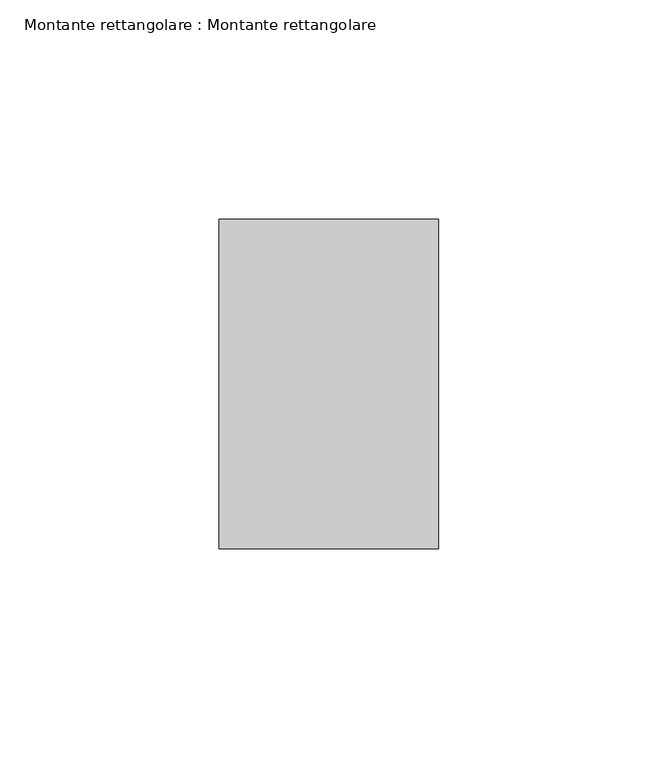
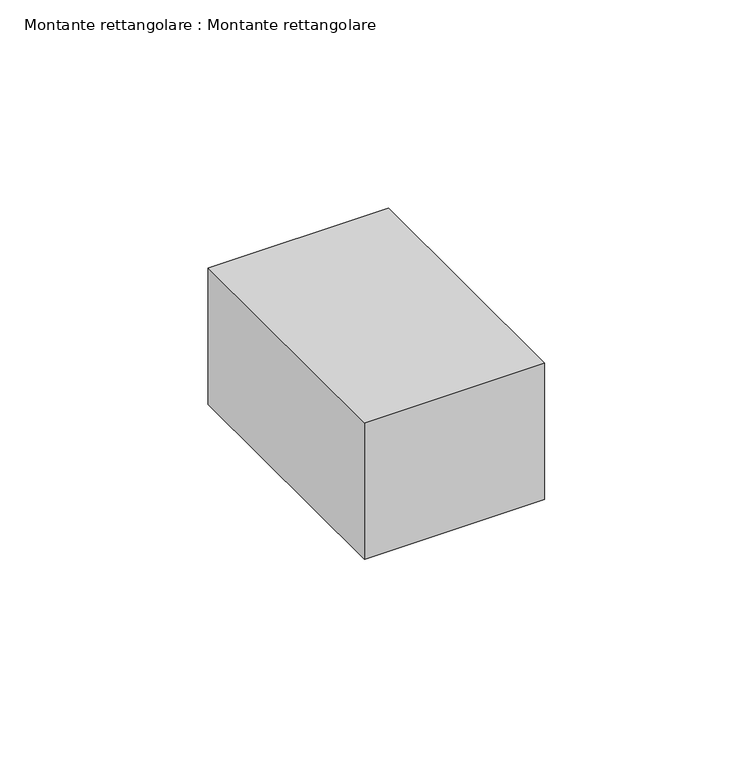
"""IFC4 building model written with IfcOpenShell, lengths in millimetres: member geometry, Montante rettangolare : Montante rettangolare."""

from ifc_helpers import new_model, si_unit, frame, origin, place, context, project, spatial, polyline, outline, extrude, source, transform, mapped, element, save


def montante_rettangolare_montante_rettangolare_3cfa24ee(model_context):
    return source(origin(), model_context, "Body", "SweptSolid", [
        extrude(outline(polyline([(25.0, 37.5), (25.0, -37.5), (-25.0, -37.5), (-25.0, 37.5), (25.0, 37.5)])), frame((0.0, 0.0, -39.9999997), z_axis=(0.0, 0.0, 1.0), x_axis=(1.0, 0.0, 0.0)), (0.0, 0.0, 1.0), 39.9999997),
    ])


if __name__ == "__main__":
    model = new_model("IFC4")
    model_context = context("Model", 3, world=origin())
    ifc_project = project(units=[si_unit("LENGTHUNIT", "METRE", prefix="MILLI")], contexts=[model_context])
    site = spatial("IfcSite", under=ifc_project)
    building = spatial("IfcBuilding", under=site)
    placement = place(None, origin())
    montante_rettangolare_montante_rettangolare_shape = montante_rettangolare_montante_rettangolare_3cfa24ee(model_context)
    element("IfcMember", 1, ObjectType="Montante rettangolare : Montante rettangolare", at=placement, inside=building, context=model_context, shape_type="MappedRepresentation", body=[
        mapped(montante_rettangolare_montante_rettangolare_shape, transform((0.0, 0.0, 0.0), x_axis=(1.0, 0.0, 0.0), y_axis=(0.0, 1.0, 0.0), z_axis=(0.0, 0.0, 1.0))),
    ])
    save(model, "model.ifc")
